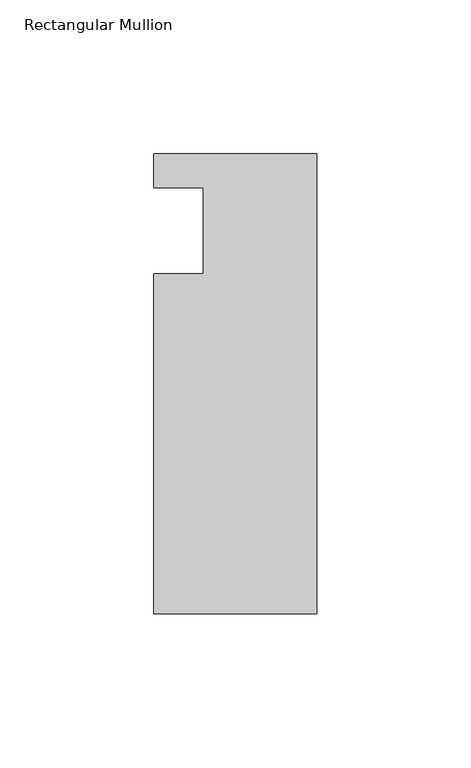
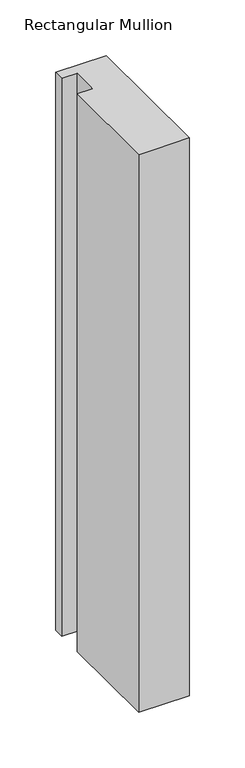
"""IFC4 building model written with IfcOpenShell, lengths in millimetres: member geometry, Rectangular Mullion."""

from ifc_helpers import new_model, si_unit, frame, origin, place, context, project, spatial, polyline, outline, extrude, source, transform, mapped, element, save


def rectangular_mullion_8206f8f5(model_context):
    return source(origin(), model_context, "Body", "SweptSolid", [
        extrude(outline(polyline([(0.0, 25.0), (0.0, -124.5), (-53.0, -124.5), (-53.0, -14.0), (-37.0, -14.0), (-37.0, 14.0), (-53.0, 14.0), (-53.0, 25.0), (0.0, 25.0)])), frame((0.0, 0.0, -613.1783258), z_axis=(0.0, 0.0, 1.0), x_axis=(1.0, 0.0, 0.0)), (0.0, 0.0, 1.0), 613.1783258),
    ])


if __name__ == "__main__":
    model = new_model("IFC4")
    model_context = context("Model", 3, world=origin())
    ifc_project = project(units=[si_unit("LENGTHUNIT", "METRE", prefix="MILLI")], contexts=[model_context])
    site = spatial("IfcSite", under=ifc_project)
    building = spatial("IfcBuilding", under=site)
    placement = place(None, origin())
    rectangular_mullion_shape = rectangular_mullion_8206f8f5(model_context)
    element("IfcMember", 1, ObjectType="Rectangular Mullion", at=placement, inside=building, context=model_context, shape_type="MappedRepresentation", body=[
        mapped(rectangular_mullion_shape, transform((0.0, 0.0, 0.0), x_axis=(1.0, 0.0, 0.0), y_axis=(0.0, 1.0, 0.0), z_axis=(0.0, 0.0, 1.0))),
    ])
    save(model, "model.ifc")
